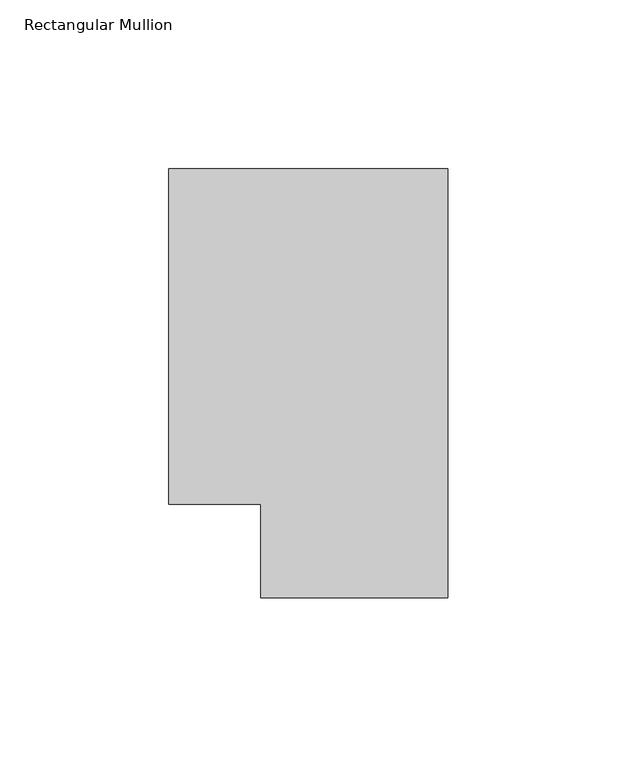
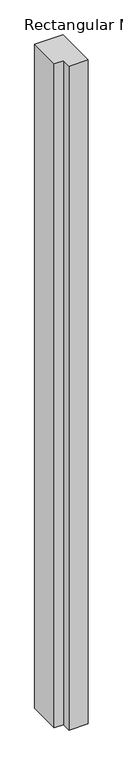
"""IFC4 building model written with IfcOpenShell, lengths in millimetres: member geometry, Rectangular Mullion."""

from ifc_helpers import new_model, si_unit, frame, origin, place, context, project, spatial, polyline, outline, extrude, source, transform, mapped, element, save


def rectangular_mullion_8b8dfd2d(model_context):
    return source(origin(), model_context, "Body", "SweptSolid", [
        extrude(outline(polyline([(0.0, 138.7038437), (0.0, 11.7059608), (-55.3125404, 11.7059608), (-55.3125404, 39.3898438), (-82.55, 39.3898438), (-82.55, 138.7038437), (0.0, 138.7038437)])), frame((0.0, 0.0, -2057.4000001), z_axis=(0.0, 0.0, 1.0), x_axis=(1.0, 0.0, 0.0)), (0.0, 0.0, 1.0), 2057.4000001),
    ])


if __name__ == "__main__":
    model = new_model("IFC4")
    model_context = context("Model", 3, world=origin())
    ifc_project = project(units=[si_unit("LENGTHUNIT", "METRE", prefix="MILLI")], contexts=[model_context])
    site = spatial("IfcSite", under=ifc_project)
    building = spatial("IfcBuilding", under=site)
    placement = place(None, origin())
    rectangular_mullion_shape = rectangular_mullion_8b8dfd2d(model_context)
    element("IfcMember", 1, ObjectType="Rectangular Mullion", at=placement, inside=building, context=model_context, shape_type="MappedRepresentation", body=[
        mapped(rectangular_mullion_shape, transform((0.0, 0.0, 0.0), x_axis=(1.0, 0.0, 0.0), y_axis=(0.0, 1.0, 0.0), z_axis=(0.0, 0.0, 1.0))),
    ])
    save(model, "model.ifc")
